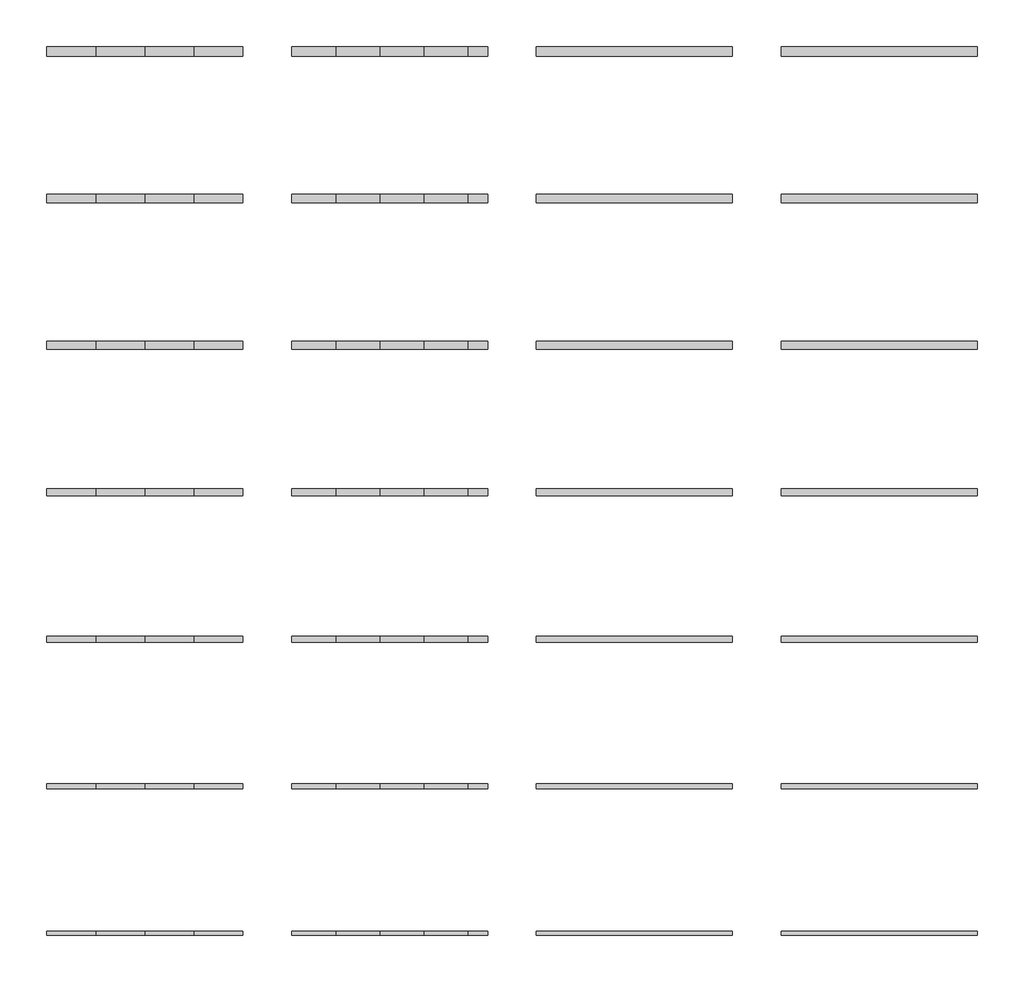
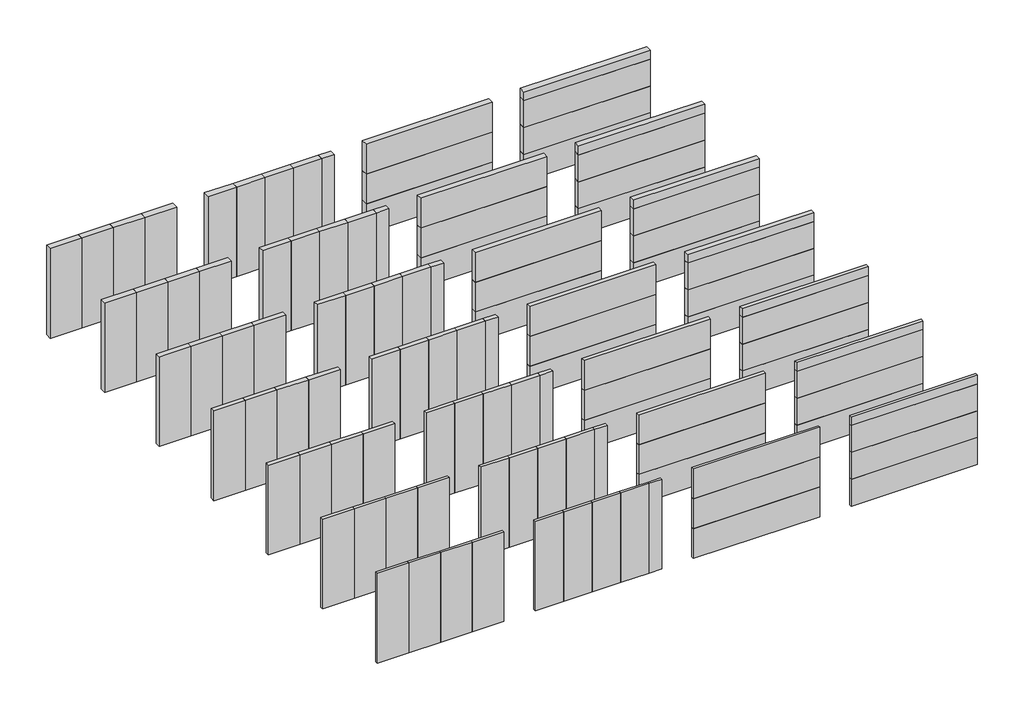
# Not in any storey, incomplete: 112 plates.
"""IFC4 building model written with IfcOpenShell, lengths in millimetres."""

from ifc_helpers import new_model, si_unit, frame, origin, origin_with_axes, place, context, project, spatial, polyline, outline, extrude, element, save

model = new_model("IFC4")

# Units and contexts
model_context = context("Model", 3, world=origin())
ifc_project = project(units=[si_unit("LENGTHUNIT", "METRE", prefix="MILLI")], contexts=[model_context])

# Site, building
site = spatial("IfcSite", under=ifc_project)
building = spatial("IfcBuilding", under=site)

# Plates
placement = place(None, origin())
element("IfcPlate", 1, at=placement, inside=building, context=model_context, shape_type="SweptSolid", body=[
    extrude(outline(polyline([(1000.0000003, 6000.0), (0.0, 6000.0), (0.0, 6100.0), (1000.0000003, 6100.0), (1000.0000003, 6000.0)])), origin_with_axes(), (0.0, 0.0, 1.0), 3000.0),
])
element("IfcPlate", 2, at=placement, inside=building, context=model_context, shape_type="SweptSolid", body=[
    extrude(outline(polyline([(2000.0000003, 6000.0), (1000.0000003, 6000.0), (1000.0000003, 6100.0), (2000.0000003, 6100.0), (2000.0000003, 6000.0)])), origin_with_axes(), (0.0, 0.0, 1.0), 3000.0),
])
element("IfcPlate", 3, at=placement, inside=building, context=model_context, shape_type="SweptSolid", body=[
    extrude(outline(polyline([(3000.0000003, 6000.0), (2000.0000003, 6000.0), (2000.0000003, 6100.0), (3000.0000003, 6100.0), (3000.0000003, 6000.0)])), origin_with_axes(), (0.0, 0.0, 1.0), 3000.0),
])
element("IfcPlate", 4, at=placement, inside=building, context=model_context, shape_type="SweptSolid", body=[
    extrude(outline(polyline([(4000.0, 6000.0), (3000.0000003, 6000.0), (3000.0000003, 6100.0), (4000.0, 6100.0), (4000.0, 6000.0)])), origin_with_axes(), (0.0, 0.0, 1.0), 3000.0),
])
element("IfcPlate", 5, at=placement, inside=building, context=model_context, shape_type="SweptSolid", body=[
    extrude(outline(polyline([(14000.0, 6000.0), (10000.0, 6000.0), (10000.0, 6100.0), (14000.0, 6100.0), (14000.0, 6000.0)])), origin_with_axes(), (0.0, 0.0, 1.0), 1000.0),
])
element("IfcPlate", 6, at=placement, inside=building, context=model_context, shape_type="SweptSolid", body=[
    extrude(outline(polyline([(14000.0, 6000.0), (10000.0, 6000.0), (10000.0, 6100.0), (14000.0, 6100.0), (14000.0, 6000.0)])), frame((0.0, 0.0, 1000.0), z_axis=(0.0, 0.0, 1.0), x_axis=(1.0, 0.0, 0.0)), (0.0, 0.0, 1.0), 1000.0),
])
element("IfcPlate", 7, at=placement, inside=building, context=model_context, shape_type="SweptSolid", body=[
    extrude(outline(polyline([(14000.0, 6000.0), (10000.0, 6000.0), (10000.0, 6100.0), (14000.0, 6100.0), (14000.0, 6000.0)])), frame((0.0, 0.0, 2000.0), z_axis=(0.0, 0.0, 1.0), x_axis=(1.0, 0.0, 0.0)), (0.0, 0.0, 1.0), 1000.0),
])
element("IfcPlate", 8, at=placement, inside=building, context=model_context, shape_type="SweptSolid", body=[
    extrude(outline(polyline([(5900.0000003, 6000.0), (5000.0, 6000.0), (5000.0, 6100.0), (5900.0000003, 6100.0), (5900.0000003, 6000.0)])), origin_with_axes(), (0.0, 0.0, 1.0), 3000.0),
])
element("IfcPlate", 9, at=placement, inside=building, context=model_context, shape_type="SweptSolid", body=[
    extrude(outline(polyline([(6800.0000003, 6000.0), (5900.0000003, 6000.0), (5900.0000003, 6100.0), (6800.0000003, 6100.0), (6800.0000003, 6000.0)])), origin_with_axes(), (0.0, 0.0, 1.0), 3000.0),
])
element("IfcPlate", 10, at=placement, inside=building, context=model_context, shape_type="SweptSolid", body=[
    extrude(outline(polyline([(7700.0000003, 6000.0), (6800.0000003, 6000.0), (6800.0000003, 6100.0), (7700.0000003, 6100.0), (7700.0000003, 6000.0)])), origin_with_axes(), (0.0, 0.0, 1.0), 3000.0),
])
element("IfcPlate", 11, at=placement, inside=building, context=model_context, shape_type="SweptSolid", body=[
    extrude(outline(polyline([(8600.0000003, 6000.0), (7700.0000003, 6000.0), (7700.0000003, 6100.0), (8600.0000003, 6100.0), (8600.0000003, 6000.0)])), origin_with_axes(), (0.0, 0.0, 1.0), 3000.0),
])
element("IfcPlate", 12, at=placement, inside=building, context=model_context, shape_type="SweptSolid", body=[
    extrude(outline(polyline([(19000.0, 6000.0), (15000.0, 6000.0), (15000.0, 6100.0), (19000.0, 6100.0), (19000.0, 6000.0)])), origin_with_axes(), (0.0, 0.0, 1.0), 900.0),
])
element("IfcPlate", 13, at=placement, inside=building, context=model_context, shape_type="SweptSolid", body=[
    extrude(outline(polyline([(19000.0, 6000.0), (15000.0, 6000.0), (15000.0, 6100.0), (19000.0, 6100.0), (19000.0, 6000.0)])), frame((0.0, 0.0, 900.0), z_axis=(0.0, 0.0, 1.0), x_axis=(1.0, 0.0, 0.0)), (0.0, 0.0, 1.0), 900.0),
])
element("IfcPlate", 14, at=placement, inside=building, context=model_context, shape_type="SweptSolid", body=[
    extrude(outline(polyline([(19000.0, 6000.0), (15000.0, 6000.0), (15000.0, 6100.0), (19000.0, 6100.0), (19000.0, 6000.0)])), frame((0.0, 0.0, 1800.0), z_axis=(0.0, 0.0, 1.0), x_axis=(1.0, 0.0, 0.0)), (0.0, 0.0, 1.0), 900.0),
])
element("IfcPlate", 15, at=placement, inside=building, context=model_context, shape_type="SweptSolid", body=[
    extrude(outline(polyline([(1000.0000003, 3010.0), (0.0, 3010.0), (0.0, 3090.0), (1000.0000003, 3090.0), (1000.0000003, 3010.0)])), origin_with_axes(), (0.0, 0.0, 1.0), 3000.0),
])
element("IfcPlate", 16, at=placement, inside=building, context=model_context, shape_type="SweptSolid", body=[
    extrude(outline(polyline([(2000.0000003, 3010.0), (1000.0000003, 3010.0), (1000.0000003, 3090.0), (2000.0000003, 3090.0), (2000.0000003, 3010.0)])), origin_with_axes(), (0.0, 0.0, 1.0), 3000.0),
])
element("IfcPlate", 17, at=placement, inside=building, context=model_context, shape_type="SweptSolid", body=[
    extrude(outline(polyline([(3000.0000003, 3010.0), (2000.0000003, 3010.0), (2000.0000003, 3090.0), (3000.0000003, 3090.0), (3000.0000003, 3010.0)])), origin_with_axes(), (0.0, 0.0, 1.0), 3000.0),
])
element("IfcPlate", 18, at=placement, inside=building, context=model_context, shape_type="SweptSolid", body=[
    extrude(outline(polyline([(4000.0, 3010.0), (3000.0000003, 3010.0), (3000.0000003, 3090.0), (4000.0, 3090.0), (4000.0, 3010.0)])), origin_with_axes(), (0.0, 0.0, 1.0), 3000.0),
])
element("IfcPlate", 19, at=placement, inside=building, context=model_context, shape_type="SweptSolid", body=[
    extrude(outline(polyline([(5900.0000003, 3010.0), (5000.0, 3010.0), (5000.0, 3090.0), (5900.0000003, 3090.0), (5900.0000003, 3010.0)])), origin_with_axes(), (0.0, 0.0, 1.0), 3000.0),
])
element("IfcPlate", 20, at=placement, inside=building, context=model_context, shape_type="SweptSolid", body=[
    extrude(outline(polyline([(6800.0000003, 3010.0), (5900.0000003, 3010.0), (5900.0000003, 3090.0), (6800.0000003, 3090.0), (6800.0000003, 3010.0)])), origin_with_axes(), (0.0, 0.0, 1.0), 3000.0),
])
element("IfcPlate", 21, at=placement, inside=building, context=model_context, shape_type="SweptSolid", body=[
    extrude(outline(polyline([(7700.0000003, 3010.0), (6800.0000003, 3010.0), (6800.0000003, 3090.0), (7700.0000003, 3090.0), (7700.0000003, 3010.0)])), origin_with_axes(), (0.0, 0.0, 1.0), 3000.0),
])
element("IfcPlate", 22, at=placement, inside=building, context=model_context, shape_type="SweptSolid", body=[
    extrude(outline(polyline([(8600.0000003, 3010.0), (7700.0000003, 3010.0), (7700.0000003, 3090.0), (8600.0000003, 3090.0), (8600.0000003, 3010.0)])), origin_with_axes(), (0.0, 0.0, 1.0), 3000.0),
])
element("IfcPlate", 23, at=placement, inside=building, context=model_context, shape_type="SweptSolid", body=[
    extrude(outline(polyline([(14000.0, 3010.0), (10000.0, 3010.0), (10000.0, 3090.0), (14000.0, 3090.0), (14000.0, 3010.0)])), origin_with_axes(), (0.0, 0.0, 1.0), 1000.0),
])
element("IfcPlate", 24, at=placement, inside=building, context=model_context, shape_type="SweptSolid", body=[
    extrude(outline(polyline([(14000.0, 3010.0), (10000.0, 3010.0), (10000.0, 3090.0), (14000.0, 3090.0), (14000.0, 3010.0)])), frame((0.0, 0.0, 1000.0), z_axis=(0.0, 0.0, 1.0), x_axis=(1.0, 0.0, 0.0)), (0.0, 0.0, 1.0), 1000.0),
])
element("IfcPlate", 25, at=placement, inside=building, context=model_context, shape_type="SweptSolid", body=[
    extrude(outline(polyline([(14000.0, 3010.0), (10000.0, 3010.0), (10000.0, 3090.0), (14000.0, 3090.0), (14000.0, 3010.0)])), frame((0.0, 0.0, 2000.0), z_axis=(0.0, 0.0, 1.0), x_axis=(1.0, 0.0, 0.0)), (0.0, 0.0, 1.0), 1000.0),
])
element("IfcPlate", 26, at=placement, inside=building, context=model_context, shape_type="SweptSolid", body=[
    extrude(outline(polyline([(19000.0, 3010.0), (15000.0, 3010.0), (15000.0, 3090.0), (19000.0, 3090.0), (19000.0, 3010.0)])), origin_with_axes(), (0.0, 0.0, 1.0), 900.0),
])
element("IfcPlate", 27, at=placement, inside=building, context=model_context, shape_type="SweptSolid", body=[
    extrude(outline(polyline([(19000.0, 3010.0), (15000.0, 3010.0), (15000.0, 3090.0), (19000.0, 3090.0), (19000.0, 3010.0)])), frame((0.0, 0.0, 900.0), z_axis=(0.0, 0.0, 1.0), x_axis=(1.0, 0.0, 0.0)), (0.0, 0.0, 1.0), 900.0),
])
element("IfcPlate", 28, at=placement, inside=building, context=model_context, shape_type="SweptSolid", body=[
    extrude(outline(polyline([(19000.0, 3010.0), (15000.0, 3010.0), (15000.0, 3090.0), (19000.0, 3090.0), (19000.0, 3010.0)])), frame((0.0, 0.0, 1800.0), z_axis=(0.0, 0.0, 1.0), x_axis=(1.0, 0.0, 0.0)), (0.0, 0.0, 1.0), 900.0),
])
element("IfcPlate", 29, at=placement, inside=building, context=model_context, shape_type="SweptSolid", body=[
    extrude(outline(polyline([(1000.0000003, 8990.0), (0.0, 8990.0), (0.0, 9110.0), (1000.0000003, 9110.0), (1000.0000003, 8990.0)])), origin_with_axes(), (0.0, 0.0, 1.0), 3000.0),
])
element("IfcPlate", 30, at=placement, inside=building, context=model_context, shape_type="SweptSolid", body=[
    extrude(outline(polyline([(2000.0000003, 8990.0), (1000.0000003, 8990.0), (1000.0000003, 9110.0), (2000.0000003, 9110.0), (2000.0000003, 8990.0)])), origin_with_axes(), (0.0, 0.0, 1.0), 3000.0),
])
element("IfcPlate", 31, at=placement, inside=building, context=model_context, shape_type="SweptSolid", body=[
    extrude(outline(polyline([(3000.0000003, 8990.0), (2000.0000003, 8990.0), (2000.0000003, 9110.0), (3000.0000003, 9110.0), (3000.0000003, 8990.0)])), origin_with_axes(), (0.0, 0.0, 1.0), 3000.0),
])
element("IfcPlate", 32, at=placement, inside=building, context=model_context, shape_type="SweptSolid", body=[
    extrude(outline(polyline([(4000.0, 8990.0), (3000.0000003, 8990.0), (3000.0000003, 9110.0), (4000.0, 9110.0), (4000.0, 8990.0)])), origin_with_axes(), (0.0, 0.0, 1.0), 3000.0),
])
element("IfcPlate", 33, at=placement, inside=building, context=model_context, shape_type="SweptSolid", body=[
    extrude(outline(polyline([(5900.0000003, 8990.0), (5000.0, 8990.0), (5000.0, 9110.0), (5900.0000003, 9110.0), (5900.0000003, 8990.0)])), origin_with_axes(), (0.0, 0.0, 1.0), 3000.0),
])
element("IfcPlate", 34, at=placement, inside=building, context=model_context, shape_type="SweptSolid", body=[
    extrude(outline(polyline([(6800.0000003, 8990.0), (5900.0000003, 8990.0), (5900.0000003, 9110.0), (6800.0000003, 9110.0), (6800.0000003, 8990.0)])), origin_with_axes(), (0.0, 0.0, 1.0), 3000.0),
])
element("IfcPlate", 35, at=placement, inside=building, context=model_context, shape_type="SweptSolid", body=[
    extrude(outline(polyline([(7700.0000003, 8990.0), (6800.0000003, 8990.0), (6800.0000003, 9110.0), (7700.0000003, 9110.0), (7700.0000003, 8990.0)])), origin_with_axes(), (0.0, 0.0, 1.0), 3000.0),
])
element("IfcPlate", 36, at=placement, inside=building, context=model_context, shape_type="SweptSolid", body=[
    extrude(outline(polyline([(8600.0000003, 8990.0), (7700.0000003, 8990.0), (7700.0000003, 9110.0), (8600.0000003, 9110.0), (8600.0000003, 8990.0)])), origin_with_axes(), (0.0, 0.0, 1.0), 3000.0),
])
element("IfcPlate", 37, at=placement, inside=building, context=model_context, shape_type="SweptSolid", body=[
    extrude(outline(polyline([(14000.0, 8990.0), (10000.0, 8990.0), (10000.0, 9110.0), (14000.0, 9110.0), (14000.0, 8990.0)])), origin_with_axes(), (0.0, 0.0, 1.0), 1000.0),
])
element("IfcPlate", 38, at=placement, inside=building, context=model_context, shape_type="SweptSolid", body=[
    extrude(outline(polyline([(14000.0, 8990.0), (10000.0, 8990.0), (10000.0, 9110.0), (14000.0, 9110.0), (14000.0, 8990.0)])), frame((0.0, 0.0, 1000.0), z_axis=(0.0, 0.0, 1.0), x_axis=(1.0, 0.0, 0.0)), (0.0, 0.0, 1.0), 1000.0),
])
element("IfcPlate", 39, at=placement, inside=building, context=model_context, shape_type="SweptSolid", body=[
    extrude(outline(polyline([(14000.0, 8990.0), (10000.0, 8990.0), (10000.0, 9110.0), (14000.0, 9110.0), (14000.0, 8990.0)])), frame((0.0, 0.0, 2000.0), z_axis=(0.0, 0.0, 1.0), x_axis=(1.0, 0.0, 0.0)), (0.0, 0.0, 1.0), 1000.0),
])
element("IfcPlate", 40, at=placement, inside=building, context=model_context, shape_type="SweptSolid", body=[
    extrude(outline(polyline([(19000.0, 8990.0), (15000.0, 8990.0), (15000.0, 9110.0), (19000.0, 9110.0), (19000.0, 8990.0)])), origin_with_axes(), (0.0, 0.0, 1.0), 900.0),
])
element("IfcPlate", 41, at=placement, inside=building, context=model_context, shape_type="SweptSolid", body=[
    extrude(outline(polyline([(19000.0, 8990.0), (15000.0, 8990.0), (15000.0, 9110.0), (19000.0, 9110.0), (19000.0, 8990.0)])), frame((0.0, 0.0, 900.0), z_axis=(0.0, 0.0, 1.0), x_axis=(1.0, 0.0, 0.0)), (0.0, 0.0, 1.0), 900.0),
])
element("IfcPlate", 42, at=placement, inside=building, context=model_context, shape_type="SweptSolid", body=[
    extrude(outline(polyline([(19000.0, 8990.0), (15000.0, 8990.0), (15000.0, 9110.0), (19000.0, 9110.0), (19000.0, 8990.0)])), frame((0.0, 0.0, 1800.0), z_axis=(0.0, 0.0, 1.0), x_axis=(1.0, 0.0, 0.0)), (0.0, 0.0, 1.0), 900.0),
])
element("IfcPlate", 43, at=placement, inside=building, context=model_context, shape_type="SweptSolid", body=[
    extrude(outline(polyline([(1000.0000003, 11980.0), (0.0, 11980.0), (0.0, 12120.0), (1000.0000003, 12120.0), (1000.0000003, 11980.0)])), origin_with_axes(), (0.0, 0.0, 1.0), 3000.0),
])
element("IfcPlate", 44, at=placement, inside=building, context=model_context, shape_type="SweptSolid", body=[
    extrude(outline(polyline([(2000.0000003, 11980.0), (1000.0000003, 11980.0), (1000.0000003, 12120.0), (2000.0000003, 12120.0), (2000.0000003, 11980.0)])), origin_with_axes(), (0.0, 0.0, 1.0), 3000.0),
])
element("IfcPlate", 45, at=placement, inside=building, context=model_context, shape_type="SweptSolid", body=[
    extrude(outline(polyline([(3000.0000003, 11980.0), (2000.0000003, 11980.0), (2000.0000003, 12120.0), (3000.0000003, 12120.0), (3000.0000003, 11980.0)])), origin_with_axes(), (0.0, 0.0, 1.0), 3000.0),
])
element("IfcPlate", 46, at=placement, inside=building, context=model_context, shape_type="SweptSolid", body=[
    extrude(outline(polyline([(4000.0, 11980.0), (3000.0000003, 11980.0), (3000.0000003, 12120.0), (4000.0, 12120.0), (4000.0, 11980.0)])), origin_with_axes(), (0.0, 0.0, 1.0), 3000.0),
])
element("IfcPlate", 47, at=placement, inside=building, context=model_context, shape_type="SweptSolid", body=[
    extrude(outline(polyline([(5900.0000003, 11980.0), (5000.0, 11980.0), (5000.0, 12120.0), (5900.0000003, 12120.0), (5900.0000003, 11980.0)])), origin_with_axes(), (0.0, 0.0, 1.0), 3000.0),
])
element("IfcPlate", 48, at=placement, inside=building, context=model_context, shape_type="SweptSolid", body=[
    extrude(outline(polyline([(6800.0000003, 11980.0), (5900.0000003, 11980.0), (5900.0000003, 12120.0), (6800.0000003, 12120.0), (6800.0000003, 11980.0)])), origin_with_axes(), (0.0, 0.0, 1.0), 3000.0),
])
element("IfcPlate", 49, at=placement, inside=building, context=model_context, shape_type="SweptSolid", body=[
    extrude(outline(polyline([(7700.0000003, 11980.0), (6800.0000003, 11980.0), (6800.0000003, 12120.0), (7700.0000003, 12120.0), (7700.0000003, 11980.0)])), origin_with_axes(), (0.0, 0.0, 1.0), 3000.0),
])
element("IfcPlate", 50, at=placement, inside=building, context=model_context, shape_type="SweptSolid", body=[
    extrude(outline(polyline([(8600.0000003, 11980.0), (7700.0000003, 11980.0), (7700.0000003, 12120.0), (8600.0000003, 12120.0), (8600.0000003, 11980.0)])), origin_with_axes(), (0.0, 0.0, 1.0), 3000.0),
])
element("IfcPlate", 51, at=placement, inside=building, context=model_context, shape_type="SweptSolid", body=[
    extrude(outline(polyline([(14000.0, 11980.0), (10000.0, 11980.0), (10000.0, 12120.0), (14000.0, 12120.0), (14000.0, 11980.0)])), origin_with_axes(), (0.0, 0.0, 1.0), 1000.0),
])
element("IfcPlate", 52, at=placement, inside=building, context=model_context, shape_type="SweptSolid", body=[
    extrude(outline(polyline([(14000.0, 11980.0), (10000.0, 11980.0), (10000.0, 12120.0), (14000.0, 12120.0), (14000.0, 11980.0)])), frame((0.0, 0.0, 1000.0), z_axis=(0.0, 0.0, 1.0), x_axis=(1.0, 0.0, 0.0)), (0.0, 0.0, 1.0), 1000.0),
])
element("IfcPlate", 53, at=placement, inside=building, context=model_context, shape_type="SweptSolid", body=[
    extrude(outline(polyline([(14000.0, 11980.0), (10000.0, 11980.0), (10000.0, 12120.0), (14000.0, 12120.0), (14000.0, 11980.0)])), frame((0.0, 0.0, 2000.0), z_axis=(0.0, 0.0, 1.0), x_axis=(1.0, 0.0, 0.0)), (0.0, 0.0, 1.0), 1000.0),
])
element("IfcPlate", 54, at=placement, inside=building, context=model_context, shape_type="SweptSolid", body=[
    extrude(outline(polyline([(19000.0, 11980.0), (15000.0, 11980.0), (15000.0, 12120.0), (19000.0, 12120.0), (19000.0, 11980.0)])), origin_with_axes(), (0.0, 0.0, 1.0), 900.0),
])
element("IfcPlate", 55, at=placement, inside=building, context=model_context, shape_type="SweptSolid", body=[
    extrude(outline(polyline([(19000.0, 11980.0), (15000.0, 11980.0), (15000.0, 12120.0), (19000.0, 12120.0), (19000.0, 11980.0)])), frame((0.0, 0.0, 900.0), z_axis=(0.0, 0.0, 1.0), x_axis=(1.0, 0.0, 0.0)), (0.0, 0.0, 1.0), 900.0),
])
element("IfcPlate", 56, at=placement, inside=building, context=model_context, shape_type="SweptSolid", body=[
    extrude(outline(polyline([(19000.0, 11980.0), (15000.0, 11980.0), (15000.0, 12120.0), (19000.0, 12120.0), (19000.0, 11980.0)])), frame((0.0, 0.0, 1800.0), z_axis=(0.0, 0.0, 1.0), x_axis=(1.0, 0.0, 0.0)), (0.0, 0.0, 1.0), 900.0),
])
element("IfcPlate", 57, at=placement, inside=building, context=model_context, shape_type="SweptSolid", body=[
    extrude(outline(polyline([(1000.0000003, 14970.0), (0.0, 14970.0), (0.0, 15130.0), (1000.0000003, 15130.0), (1000.0000003, 14970.0)])), origin_with_axes(), (0.0, 0.0, 1.0), 3000.0),
])
element("IfcPlate", 58, at=placement, inside=building, context=model_context, shape_type="SweptSolid", body=[
    extrude(outline(polyline([(2000.0000003, 14970.0), (1000.0000003, 14970.0), (1000.0000003, 15130.0), (2000.0000003, 15130.0), (2000.0000003, 14970.0)])), origin_with_axes(), (0.0, 0.0, 1.0), 3000.0),
])
element("IfcPlate", 59, at=placement, inside=building, context=model_context, shape_type="SweptSolid", body=[
    extrude(outline(polyline([(3000.0000003, 14970.0), (2000.0000003, 14970.0), (2000.0000003, 15130.0), (3000.0000003, 15130.0), (3000.0000003, 14970.0)])), origin_with_axes(), (0.0, 0.0, 1.0), 3000.0),
])
element("IfcPlate", 60, at=placement, inside=building, context=model_context, shape_type="SweptSolid", body=[
    extrude(outline(polyline([(4000.0, 14970.0), (3000.0000003, 14970.0), (3000.0000003, 15130.0), (4000.0, 15130.0), (4000.0, 14970.0)])), origin_with_axes(), (0.0, 0.0, 1.0), 3000.0),
])
element("IfcPlate", 61, at=placement, inside=building, context=model_context, shape_type="SweptSolid", body=[
    extrude(outline(polyline([(5900.0000003, 14970.0), (5000.0, 14970.0), (5000.0, 15130.0), (5900.0000003, 15130.0), (5900.0000003, 14970.0)])), origin_with_axes(), (0.0, 0.0, 1.0), 3000.0),
])
element("IfcPlate", 62, at=placement, inside=building, context=model_context, shape_type="SweptSolid", body=[
    extrude(outline(polyline([(6800.0000003, 14970.0), (5900.0000003, 14970.0), (5900.0000003, 15130.0), (6800.0000003, 15130.0), (6800.0000003, 14970.0)])), origin_with_axes(), (0.0, 0.0, 1.0), 3000.0),
])
element("IfcPlate", 63, at=placement, inside=building, context=model_context, shape_type="SweptSolid", body=[
    extrude(outline(polyline([(7700.0000003, 14970.0), (6800.0000003, 14970.0), (6800.0000003, 15130.0), (7700.0000003, 15130.0), (7700.0000003, 14970.0)])), origin_with_axes(), (0.0, 0.0, 1.0), 3000.0),
])
element("IfcPlate", 64, at=placement, inside=building, context=model_context, shape_type="SweptSolid", body=[
    extrude(outline(polyline([(8600.0000003, 14970.0), (7700.0000003, 14970.0), (7700.0000003, 15130.0), (8600.0000003, 15130.0), (8600.0000003, 14970.0)])), origin_with_axes(), (0.0, 0.0, 1.0), 3000.0),
])
element("IfcPlate", 65, at=placement, inside=building, context=model_context, shape_type="SweptSolid", body=[
    extrude(outline(polyline([(14000.0, 14970.0), (10000.0, 14970.0), (10000.0, 15130.0), (14000.0, 15130.0), (14000.0, 14970.0)])), origin_with_axes(), (0.0, 0.0, 1.0), 1000.0),
])
element("IfcPlate", 66, at=placement, inside=building, context=model_context, shape_type="SweptSolid", body=[
    extrude(outline(polyline([(14000.0, 14970.0), (10000.0, 14970.0), (10000.0, 15130.0), (14000.0, 15130.0), (14000.0, 14970.0)])), frame((0.0, 0.0, 1000.0), z_axis=(0.0, 0.0, 1.0), x_axis=(1.0, 0.0, 0.0)), (0.0, 0.0, 1.0), 1000.0),
])
element("IfcPlate", 67, at=placement, inside=building, context=model_context, shape_type="SweptSolid", body=[
    extrude(outline(polyline([(14000.0, 14970.0), (10000.0, 14970.0), (10000.0, 15130.0), (14000.0, 15130.0), (14000.0, 14970.0)])), frame((0.0, 0.0, 2000.0), z_axis=(0.0, 0.0, 1.0), x_axis=(1.0, 0.0, 0.0)), (0.0, 0.0, 1.0), 1000.0),
])
element("IfcPlate", 68, at=placement, inside=building, context=model_context, shape_type="SweptSolid", body=[
    extrude(outline(polyline([(19000.0, 14970.0), (15000.0, 14970.0), (15000.0, 15130.0), (19000.0, 15130.0), (19000.0, 14970.0)])), origin_with_axes(), (0.0, 0.0, 1.0), 900.0),
])
element("IfcPlate", 69, at=placement, inside=building, context=model_context, shape_type="SweptSolid", body=[
    extrude(outline(polyline([(19000.0, 14970.0), (15000.0, 14970.0), (15000.0, 15130.0), (19000.0, 15130.0), (19000.0, 14970.0)])), frame((0.0, 0.0, 900.0), z_axis=(0.0, 0.0, 1.0), x_axis=(1.0, 0.0, 0.0)), (0.0, 0.0, 1.0), 900.0),
])
element("IfcPlate", 70, at=placement, inside=building, context=model_context, shape_type="SweptSolid", body=[
    extrude(outline(polyline([(19000.0, 14970.0), (15000.0, 14970.0), (15000.0, 15130.0), (19000.0, 15130.0), (19000.0, 14970.0)])), frame((0.0, 0.0, 1800.0), z_axis=(0.0, 0.0, 1.0), x_axis=(1.0, 0.0, 0.0)), (0.0, 0.0, 1.0), 900.0),
])
element("IfcPlate", 71, at=placement, inside=building, context=model_context, shape_type="SweptSolid", body=[
    extrude(outline(polyline([(1000.0000003, 17960.0), (0.0, 17960.0), (0.0, 18140.0), (1000.0000003, 18140.0), (1000.0000003, 17960.0)])), origin_with_axes(), (0.0, 0.0, 1.0), 3000.0),
])
element("IfcPlate", 72, at=placement, inside=building, context=model_context, shape_type="SweptSolid", body=[
    extrude(outline(polyline([(2000.0000003, 17960.0), (1000.0000003, 17960.0), (1000.0000003, 18140.0), (2000.0000003, 18140.0), (2000.0000003, 17960.0)])), origin_with_axes(), (0.0, 0.0, 1.0), 3000.0),
])
element("IfcPlate", 73, at=placement, inside=building, context=model_context, shape_type="SweptSolid", body=[
    extrude(outline(polyline([(3000.0000003, 17960.0), (2000.0000003, 17960.0), (2000.0000003, 18140.0), (3000.0000003, 18140.0), (3000.0000003, 17960.0)])), origin_with_axes(), (0.0, 0.0, 1.0), 3000.0),
])
element("IfcPlate", 74, at=placement, inside=building, context=model_context, shape_type="SweptSolid", body=[
    extrude(outline(polyline([(4000.0, 17960.0), (3000.0000003, 17960.0), (3000.0000003, 18140.0), (4000.0, 18140.0), (4000.0, 17960.0)])), origin_with_axes(), (0.0, 0.0, 1.0), 3000.0),
])
element("IfcPlate", 75, at=placement, inside=building, context=model_context, shape_type="SweptSolid", body=[
    extrude(outline(polyline([(5900.0000003, 17960.0), (5000.0, 17960.0), (5000.0, 18140.0), (5900.0000003, 18140.0), (5900.0000003, 17960.0)])), origin_with_axes(), (0.0, 0.0, 1.0), 3000.0),
])
element("IfcPlate", 76, at=placement, inside=building, context=model_context, shape_type="SweptSolid", body=[
    extrude(outline(polyline([(6800.0000003, 17960.0), (5900.0000003, 17960.0), (5900.0000003, 18140.0), (6800.0000003, 18140.0), (6800.0000003, 17960.0)])), origin_with_axes(), (0.0, 0.0, 1.0), 3000.0),
])
element("IfcPlate", 77, at=placement, inside=building, context=model_context, shape_type="SweptSolid", body=[
    extrude(outline(polyline([(7700.0000003, 17960.0), (6800.0000003, 17960.0), (6800.0000003, 18140.0), (7700.0000003, 18140.0), (7700.0000003, 17960.0)])), origin_with_axes(), (0.0, 0.0, 1.0), 3000.0),
])
element("IfcPlate", 78, at=placement, inside=building, context=model_context, shape_type="SweptSolid", body=[
    extrude(outline(polyline([(8600.0000003, 17960.0), (7700.0000003, 17960.0), (7700.0000003, 18140.0), (8600.0000003, 18140.0), (8600.0000003, 17960.0)])), origin_with_axes(), (0.0, 0.0, 1.0), 3000.0),
])
element("IfcPlate", 79, at=placement, inside=building, context=model_context, shape_type="SweptSolid", body=[
    extrude(outline(polyline([(14000.0, 17960.0), (10000.0, 17960.0), (10000.0, 18140.0), (14000.0, 18140.0), (14000.0, 17960.0)])), origin_with_axes(), (0.0, 0.0, 1.0), 1000.0),
])
element("IfcPlate", 80, at=placement, inside=building, context=model_context, shape_type="SweptSolid", body=[
    extrude(outline(polyline([(14000.0, 17960.0), (10000.0, 17960.0), (10000.0, 18140.0), (14000.0, 18140.0), (14000.0, 17960.0)])), frame((0.0, 0.0, 1000.0), z_axis=(0.0, 0.0, 1.0), x_axis=(1.0, 0.0, 0.0)), (0.0, 0.0, 1.0), 1000.0),
])
element("IfcPlate", 81, at=placement, inside=building, context=model_context, shape_type="SweptSolid", body=[
    extrude(outline(polyline([(14000.0, 17960.0), (10000.0, 17960.0), (10000.0, 18140.0), (14000.0, 18140.0), (14000.0, 17960.0)])), frame((0.0, 0.0, 2000.0), z_axis=(0.0, 0.0, 1.0), x_axis=(1.0, 0.0, 0.0)), (0.0, 0.0, 1.0), 1000.0),
])
element("IfcPlate", 82, at=placement, inside=building, context=model_context, shape_type="SweptSolid", body=[
    extrude(outline(polyline([(19000.0, 17960.0), (15000.0, 17960.0), (15000.0, 18140.0), (19000.0, 18140.0), (19000.0, 17960.0)])), origin_with_axes(), (0.0, 0.0, 1.0), 900.0),
])
element("IfcPlate", 83, at=placement, inside=building, context=model_context, shape_type="SweptSolid", body=[
    extrude(outline(polyline([(19000.0, 17960.0), (15000.0, 17960.0), (15000.0, 18140.0), (19000.0, 18140.0), (19000.0, 17960.0)])), frame((0.0, 0.0, 900.0), z_axis=(0.0, 0.0, 1.0), x_axis=(1.0, 0.0, 0.0)), (0.0, 0.0, 1.0), 900.0),
])
element("IfcPlate", 84, at=placement, inside=building, context=model_context, shape_type="SweptSolid", body=[
    extrude(outline(polyline([(19000.0, 17960.0), (15000.0, 17960.0), (15000.0, 18140.0), (19000.0, 18140.0), (19000.0, 17960.0)])), frame((0.0, 0.0, 1800.0), z_axis=(0.0, 0.0, 1.0), x_axis=(1.0, 0.0, 0.0)), (0.0, 0.0, 1.0), 900.0),
])
element("IfcPlate", 85, at=placement, inside=building, context=model_context, shape_type="SweptSolid", body=[
    extrude(outline(polyline([(1000.0000003, 20950.0), (0.0, 20950.0), (0.0, 21150.0), (1000.0000003, 21150.0), (1000.0000003, 20950.0)])), origin_with_axes(), (0.0, 0.0, 1.0), 3000.0),
])
element("IfcPlate", 86, at=placement, inside=building, context=model_context, shape_type="SweptSolid", body=[
    extrude(outline(polyline([(2000.0000003, 20950.0), (1000.0000003, 20950.0), (1000.0000003, 21150.0), (2000.0000003, 21150.0), (2000.0000003, 20950.0)])), origin_with_axes(), (0.0, 0.0, 1.0), 3000.0),
])
element("IfcPlate", 87, at=placement, inside=building, context=model_context, shape_type="SweptSolid", body=[
    extrude(outline(polyline([(3000.0000003, 20950.0), (2000.0000003, 20950.0), (2000.0000003, 21150.0), (3000.0000003, 21150.0), (3000.0000003, 20950.0)])), origin_with_axes(), (0.0, 0.0, 1.0), 3000.0),
])
element("IfcPlate", 88, at=placement, inside=building, context=model_context, shape_type="SweptSolid", body=[
    extrude(outline(polyline([(4000.0, 20950.0), (3000.0000003, 20950.0), (3000.0000003, 21150.0), (4000.0, 21150.0), (4000.0, 20950.0)])), origin_with_axes(), (0.0, 0.0, 1.0), 3000.0),
])
element("IfcPlate", 89, at=placement, inside=building, context=model_context, shape_type="SweptSolid", body=[
    extrude(outline(polyline([(5900.0000003, 20950.0), (5000.0, 20950.0), (5000.0, 21150.0), (5900.0000003, 21150.0), (5900.0000003, 20950.0)])), origin_with_axes(), (0.0, 0.0, 1.0), 3000.0),
])
element("IfcPlate", 90, at=placement, inside=building, context=model_context, shape_type="SweptSolid", body=[
    extrude(outline(polyline([(6800.0000003, 20950.0), (5900.0000003, 20950.0), (5900.0000003, 21150.0), (6800.0000003, 21150.0), (6800.0000003, 20950.0)])), origin_with_axes(), (0.0, 0.0, 1.0), 3000.0),
])
element("IfcPlate", 91, at=placement, inside=building, context=model_context, shape_type="SweptSolid", body=[
    extrude(outline(polyline([(7700.0000003, 20950.0), (6800.0000003, 20950.0), (6800.0000003, 21150.0), (7700.0000003, 21150.0), (7700.0000003, 20950.0)])), origin_with_axes(), (0.0, 0.0, 1.0), 3000.0),
])
element("IfcPlate", 92, at=placement, inside=building, context=model_context, shape_type="SweptSolid", body=[
    extrude(outline(polyline([(8600.0000003, 20950.0), (7700.0000003, 20950.0), (7700.0000003, 21150.0), (8600.0000003, 21150.0), (8600.0000003, 20950.0)])), origin_with_axes(), (0.0, 0.0, 1.0), 3000.0),
])
element("IfcPlate", 93, at=placement, inside=building, context=model_context, shape_type="SweptSolid", body=[
    extrude(outline(polyline([(14000.0, 20950.0), (10000.0, 20950.0), (10000.0, 21150.0), (14000.0, 21150.0), (14000.0, 20950.0)])), origin_with_axes(), (0.0, 0.0, 1.0), 1000.0),
])
element("IfcPlate", 94, at=placement, inside=building, context=model_context, shape_type="SweptSolid", body=[
    extrude(outline(polyline([(14000.0, 20950.0), (10000.0, 20950.0), (10000.0, 21150.0), (14000.0, 21150.0), (14000.0, 20950.0)])), frame((0.0, 0.0, 1000.0), z_axis=(0.0, 0.0, 1.0), x_axis=(1.0, 0.0, 0.0)), (0.0, 0.0, 1.0), 1000.0),
])
element("IfcPlate", 95, at=placement, inside=building, context=model_context, shape_type="SweptSolid", body=[
    extrude(outline(polyline([(14000.0, 20950.0), (10000.0, 20950.0), (10000.0, 21150.0), (14000.0, 21150.0), (14000.0, 20950.0)])), frame((0.0, 0.0, 2000.0), z_axis=(0.0, 0.0, 1.0), x_axis=(1.0, 0.0, 0.0)), (0.0, 0.0, 1.0), 1000.0),
])
element("IfcPlate", 96, at=placement, inside=building, context=model_context, shape_type="SweptSolid", body=[
    extrude(outline(polyline([(19000.0, 20950.0), (15000.0, 20950.0), (15000.0, 21150.0), (19000.0, 21150.0), (19000.0, 20950.0)])), origin_with_axes(), (0.0, 0.0, 1.0), 900.0),
])
element("IfcPlate", 97, at=placement, inside=building, context=model_context, shape_type="SweptSolid", body=[
    extrude(outline(polyline([(19000.0, 20950.0), (15000.0, 20950.0), (15000.0, 21150.0), (19000.0, 21150.0), (19000.0, 20950.0)])), frame((0.0, 0.0, 900.0), z_axis=(0.0, 0.0, 1.0), x_axis=(1.0, 0.0, 0.0)), (0.0, 0.0, 1.0), 900.0),
])
element("IfcPlate", 98, at=placement, inside=building, context=model_context, shape_type="SweptSolid", body=[
    extrude(outline(polyline([(19000.0, 20950.0), (15000.0, 20950.0), (15000.0, 21150.0), (19000.0, 21150.0), (19000.0, 20950.0)])), frame((0.0, 0.0, 1800.0), z_axis=(0.0, 0.0, 1.0), x_axis=(1.0, 0.0, 0.0)), (0.0, 0.0, 1.0), 900.0),
])
element("IfcPlate", 99, at=placement, inside=building, context=model_context, shape_type="SweptSolid", body=[
    extrude(outline(polyline([(19000.0, 3010.0), (15000.0, 3010.0), (15000.0, 3090.0), (19000.0, 3090.0), (19000.0, 3010.0)])), frame((0.0, 0.0, 2700.0), z_axis=(0.0, 0.0, 1.0), x_axis=(1.0, 0.0, 0.0)), (0.0, 0.0, 1.0), 300.0),
])
element("IfcPlate", 100, at=placement, inside=building, context=model_context, shape_type="SweptSolid", body=[
    extrude(outline(polyline([(9000.0, 3010.0), (8600.0000003, 3010.0), (8600.0000003, 3090.0), (9000.0, 3090.0), (9000.0, 3010.0)])), origin_with_axes(), (0.0, 0.0, 1.0), 3000.0),
])
element("IfcPlate", 101, at=placement, inside=building, context=model_context, shape_type="SweptSolid", body=[
    extrude(outline(polyline([(19000.0, 6000.0), (15000.0, 6000.0), (15000.0, 6100.0), (19000.0, 6100.0), (19000.0, 6000.0)])), frame((0.0, 0.0, 2700.0), z_axis=(0.0, 0.0, 1.0), x_axis=(1.0, 0.0, 0.0)), (0.0, 0.0, 1.0), 300.0),
])
element("IfcPlate", 102, at=placement, inside=building, context=model_context, shape_type="SweptSolid", body=[
    extrude(outline(polyline([(9000.0, 6000.0), (8600.0000003, 6000.0), (8600.0000003, 6100.0), (9000.0, 6100.0), (9000.0, 6000.0)])), origin_with_axes(), (0.0, 0.0, 1.0), 3000.0),
])
element("IfcPlate", 103, at=placement, inside=building, context=model_context, shape_type="SweptSolid", body=[
    extrude(outline(polyline([(19000.0, 8990.0), (15000.0, 8990.0), (15000.0, 9110.0), (19000.0, 9110.0), (19000.0, 8990.0)])), frame((0.0, 0.0, 2700.0), z_axis=(0.0, 0.0, 1.0), x_axis=(1.0, 0.0, 0.0)), (0.0, 0.0, 1.0), 300.0),
])
element("IfcPlate", 104, at=placement, inside=building, context=model_context, shape_type="SweptSolid", body=[
    extrude(outline(polyline([(9000.0, 8990.0), (8600.0000003, 8990.0), (8600.0000003, 9110.0), (9000.0, 9110.0), (9000.0, 8990.0)])), origin_with_axes(), (0.0, 0.0, 1.0), 3000.0),
])
element("IfcPlate", 105, at=placement, inside=building, context=model_context, shape_type="SweptSolid", body=[
    extrude(outline(polyline([(19000.0, 11980.0), (15000.0, 11980.0), (15000.0, 12120.0), (19000.0, 12120.0), (19000.0, 11980.0)])), frame((0.0, 0.0, 2700.0), z_axis=(0.0, 0.0, 1.0), x_axis=(1.0, 0.0, 0.0)), (0.0, 0.0, 1.0), 300.0),
])
element("IfcPlate", 106, at=placement, inside=building, context=model_context, shape_type="SweptSolid", body=[
    extrude(outline(polyline([(9000.0, 11980.0), (8600.0000003, 11980.0), (8600.0000003, 12120.0), (9000.0, 12120.0), (9000.0, 11980.0)])), origin_with_axes(), (0.0, 0.0, 1.0), 3000.0),
])
element("IfcPlate", 107, at=placement, inside=building, context=model_context, shape_type="SweptSolid", body=[
    extrude(outline(polyline([(19000.0, 14970.0), (15000.0, 14970.0), (15000.0, 15130.0), (19000.0, 15130.0), (19000.0, 14970.0)])), frame((0.0, 0.0, 2700.0), z_axis=(0.0, 0.0, 1.0), x_axis=(1.0, 0.0, 0.0)), (0.0, 0.0, 1.0), 300.0),
])
element("IfcPlate", 108, at=placement, inside=building, context=model_context, shape_type="SweptSolid", body=[
    extrude(outline(polyline([(9000.0, 14970.0), (8600.0000003, 14970.0), (8600.0000003, 15130.0), (9000.0, 15130.0), (9000.0, 14970.0)])), origin_with_axes(), (0.0, 0.0, 1.0), 3000.0),
])
element("IfcPlate", 109, at=placement, inside=building, context=model_context, shape_type="SweptSolid", body=[
    extrude(outline(polyline([(19000.0, 17960.0), (15000.0, 17960.0), (15000.0, 18140.0), (19000.0, 18140.0), (19000.0, 17960.0)])), frame((0.0, 0.0, 2700.0), z_axis=(0.0, 0.0, 1.0), x_axis=(1.0, 0.0, 0.0)), (0.0, 0.0, 1.0), 300.0),
])
element("IfcPlate", 110, at=placement, inside=building, context=model_context, shape_type="SweptSolid", body=[
    extrude(outline(polyline([(9000.0, 17960.0), (8600.0000003, 17960.0), (8600.0000003, 18140.0), (9000.0, 18140.0), (9000.0, 17960.0)])), origin_with_axes(), (0.0, 0.0, 1.0), 3000.0),
])
element("IfcPlate", 111, at=placement, inside=building, context=model_context, shape_type="SweptSolid", body=[
    extrude(outline(polyline([(19000.0, 20950.0), (15000.0, 20950.0), (15000.0, 21150.0), (19000.0, 21150.0), (19000.0, 20950.0)])), frame((0.0, 0.0, 2700.0), z_axis=(0.0, 0.0, 1.0), x_axis=(1.0, 0.0, 0.0)), (0.0, 0.0, 1.0), 300.0),
])
element("IfcPlate", 112, at=placement, inside=building, context=model_context, shape_type="SweptSolid", body=[
    extrude(outline(polyline([(9000.0, 20950.0), (8600.0000003, 20950.0), (8600.0000003, 21150.0), (9000.0, 21150.0), (9000.0, 20950.0)])), origin_with_axes(), (0.0, 0.0, 1.0), 3000.0),
])

save(model, "model.ifc")
